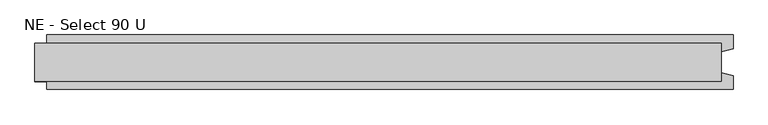
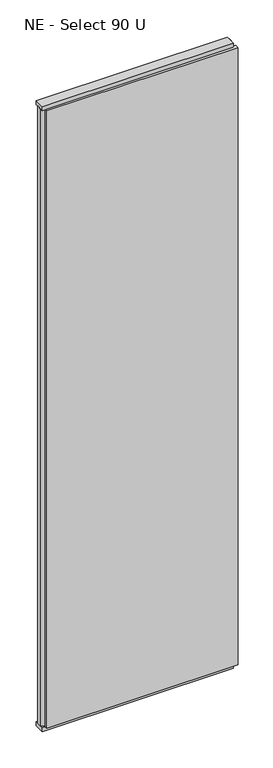
"""IFC4 building model written with IfcOpenShell, lengths in millimetres: plate geometry, NE - Select 90 U."""

from ifc_helpers import new_model, si_unit, frame, origin, origin_with_axes, place, context, project, spatial, polyline, outline, extrude, source, transform, mapped, element, save


def ne_select_90_u_362428b3(model_context):
    return source(origin(), model_context, "Body", "SweptSolid", [
        extrude(outline(polyline([(599.0, 46.0), (599.0, 22.9993165), (579.0, 17.6401049), (579.0, -17.6401049), (599.0, -22.9993165), (599.0, -46.0), (-559.0, -46.0), (-559.0, -22.9993165), (-579.0, -17.6401049), (-579.0, 17.6401049), (-559.0, 22.9993165), (-559.0, 46.0), (599.0, 46.0)])), frame((0.0, 0.0, 25.0), z_axis=(0.0, 0.0, 1.0), x_axis=(1.0, 0.0, 0.0)), (0.0, 0.0, 1.0), 3950.0),
        extrude(outline(polyline([(579.0, 32.0), (579.0, -32.0), (-579.0, -32.0), (-579.0, 32.0), (579.0, 32.0)])), origin_with_axes(), (0.0, 0.0, 1.0), 25.0),
        extrude(outline(polyline([(579.0, 32.0), (579.0, -32.0), (-579.0, -32.0), (-579.0, 32.0), (579.0, 32.0)])), frame((0.0, 0.0, 3975.0), z_axis=(0.0, 0.0, 1.0), x_axis=(1.0, 0.0, 0.0)), (0.0, 0.0, 1.0), 25.0),
    ])


if __name__ == "__main__":
    model = new_model("IFC4")
    model_context = context("Model", 3, world=origin())
    ifc_project = project(units=[si_unit("LENGTHUNIT", "METRE", prefix="MILLI")], contexts=[model_context])
    site = spatial("IfcSite", under=ifc_project)
    building = spatial("IfcBuilding", under=site)
    placement = place(None, origin())
    ne_select_90_u_shape = ne_select_90_u_362428b3(model_context)
    element("IfcPlate", 1, ObjectType="NE - Select 90 U", at=placement, inside=building, context=model_context, shape_type="MappedRepresentation", body=[
        mapped(ne_select_90_u_shape, transform((0.0, 0.0, 0.0), x_axis=(1.0, 0.0, 0.0), y_axis=(0.0, 1.0, 0.0), z_axis=(0.0, 0.0, 1.0))),
    ])
    save(model, "model.ifc")
